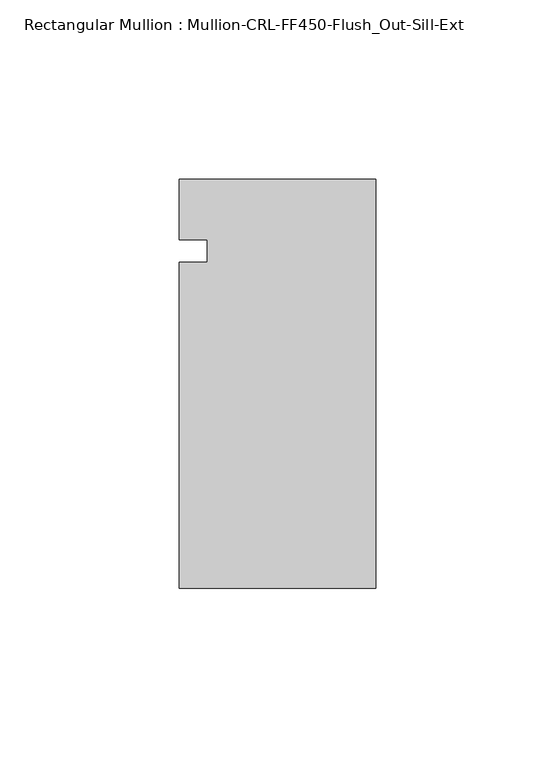
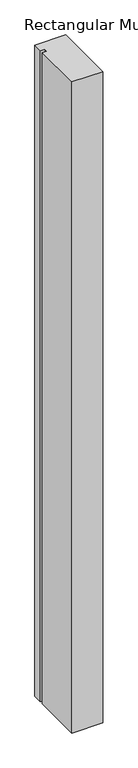
"""IFC4 building model written with IfcOpenShell, lengths in millimetres: member geometry, Rectangular Mullion : Mullion-CRL-FF450-Flush_Out-Sill-Ext."""

from ifc_helpers import new_model, si_unit, frame, origin, place, context, project, spatial, polyline, outline, extrude, source, transform, mapped, element, save


def rectangular_mullion_mullion_crl_ff450_flush_out_sill_ext_44e72abb(model_context):
    return source(origin(), model_context, "Body", "SweptSolid", [
        extrude(outline(polyline([(-54.9910181, -94.1461601), (-54.9910181, -3.1555912), (-47.0535181, -3.1555912), (-47.0535181, 3.1944088), (-54.9910181, 3.1944088), (-54.9910181, 20.160815), (0.0, 20.160815), (0.0, -94.1461601), (-54.9910181, -94.1461601)])), frame((0.0, 0.0, -1226.6174053), z_axis=(0.0, 0.0, 1.0), x_axis=(1.0, 0.0, 0.0)), (0.0, 0.0, 1.0), 1226.6174053),
    ])


if __name__ == "__main__":
    model = new_model("IFC4")
    model_context = context("Model", 3, world=origin())
    ifc_project = project(units=[si_unit("LENGTHUNIT", "METRE", prefix="MILLI")], contexts=[model_context])
    site = spatial("IfcSite", under=ifc_project)
    building = spatial("IfcBuilding", under=site)
    placement = place(None, origin())
    rectangular_mullion_mullion_crl_ff450_flush_out_sill_ext_shape = rectangular_mullion_mullion_crl_ff450_flush_out_sill_ext_44e72abb(model_context)
    element("IfcMember", 1, ObjectType="Rectangular Mullion : Mullion-CRL-FF450-Flush_Out-Sill-Ext", at=placement, inside=building, context=model_context, shape_type="MappedRepresentation", body=[
        mapped(rectangular_mullion_mullion_crl_ff450_flush_out_sill_ext_shape, transform((0.0, 0.0, 0.0), x_axis=(1.0, 0.0, 0.0), y_axis=(0.0, 1.0, 0.0), z_axis=(0.0, 0.0, 1.0))),
    ])
    save(model, "model.ifc")
